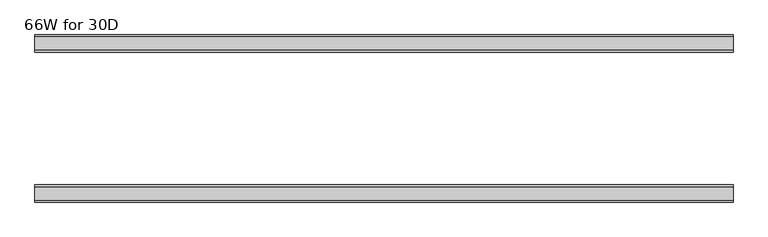
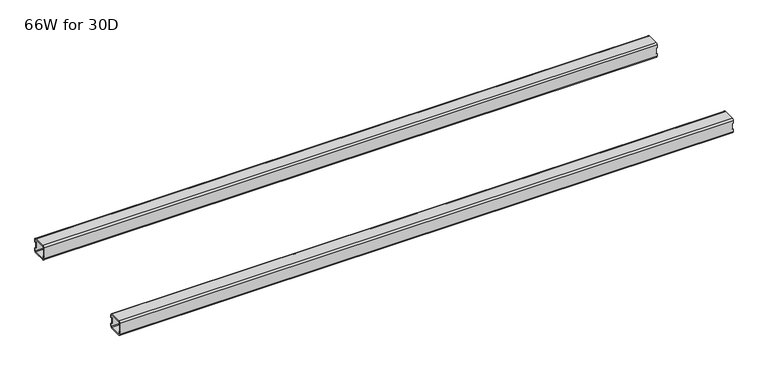
"""IFC4 building model written with IfcOpenShell, lengths in millimetres: furniture geometry, 66W for 30D."""

from ifc_helpers import new_model, si_unit, frame, origin, place, context, project, spatial, polyline, circle_curve, source, transform, mapped, element, save
from ifc_brep_helpers import plane_surface, cylinder_surface, revolved_surface, advanced_brep


def furniture_66w_for_30d_f4dce81f(model_context):
    return source(origin(), model_context, "Body", "AdvancedBrep", [
        advanced_brep(
        [(1651.4028, -507.012, 653.351), (1651.4028, -509.012, 651.351), (1651.4028, -541.012, 651.351), (1651.4028, -543.012, 653.351), (1651.4028, -543.012, 660.851), (1651.4028, -545.012, 660.851), (1651.4028, -545.012, 653.351), (1651.4028, -541.012, 649.351), (1651.4028, -509.012, 649.351), (1651.4028, -505.012, 653.351), (1651.4028, -505.012, 660.851), (1651.4028, -507.012, 660.851), (1651.4028, -543.012, 684.975), (1651.4028, -541.012, 686.975), (1651.4028, -509.012, 686.975), (1651.4028, -507.012, 684.975), (1651.4028, -507.012, 677.475), (1651.4028, -505.012, 677.475), (1651.4028, -505.012, 684.975), (1651.4028, -509.012, 688.975), (1651.4028, -541.012, 688.975), (1651.4028, -545.012, 684.975), (1651.4028, -545.012, 677.475), (1651.4028, -543.012, 677.475), (22.0, -507.012, 684.975), (22.0, -509.012, 686.975), (22.0, -541.012, 686.975), (22.0, -543.012, 684.975), (22.0, -543.012, 677.475), (22.0, -545.012, 677.475), (22.0, -545.012, 684.975), (22.0, -541.012, 688.975), (22.0, -509.012, 688.975), (22.0, -505.012, 684.975), (22.0, -505.012, 677.475), (22.0, -507.012, 677.475), (22.0, -543.012, 653.351), (22.0, -541.012, 651.351), (22.0, -509.012, 651.351), (22.0, -507.012, 653.351), (22.0, -507.012, 660.851), (22.0, -505.012, 660.851), (22.0, -505.012, 653.351), (22.0, -509.012, 649.351), (22.0, -541.012, 649.351), (22.0, -545.012, 653.351), (22.0, -545.012, 660.851), (22.0, -543.012, 660.851), (23.365, -543.012, 660.851), (24.0, -543.012, 661.486), (24.0, -543.012, 676.84), (23.365, -543.012, 677.475), (1650.0378, -543.012, 677.475), (1649.4028, -543.012, 676.84), (1649.4028, -543.012, 661.486), (1650.0378, -543.012, 660.851), (1650.0378, -507.012, 660.851), (1649.4028, -507.012, 661.486), (1649.4028, -507.012, 676.84), (1650.0378, -507.012, 677.475), (23.365, -507.012, 677.475), (24.0, -507.012, 676.84), (24.0, -507.012, 661.486), (23.365, -507.012, 660.851), (23.365, -545.012, 677.475), (24.0, -545.012, 676.84), (24.0, -545.012, 661.486), (23.365, -545.012, 660.851), (1650.0378, -545.012, 660.851), (1649.4028, -545.012, 661.486), (1649.4028, -545.012, 676.84), (1650.0378, -545.012, 677.475), (1650.0378, -505.012, 677.475), (1649.4028, -505.012, 676.84), (1649.4028, -505.012, 661.486), (1650.0378, -505.012, 660.851), (23.365, -505.012, 660.851), (24.0, -505.012, 661.486), (24.0, -505.012, 676.84), (23.365, -505.012, 677.475)],
        [
            (0, 1, circle_curve(frame((1651.4028, -509.012, 653.351), z_axis=(-1.0, 0.0, 0.0), x_axis=(0.0, 1.0, 0.0)), 2.0)),
            (1, 2),
            (2, 3, circle_curve(frame((1651.4028, -541.012, 653.351), z_axis=(-1.0, 0.0, 0.0), x_axis=(0.0, 1.0, 0.0)), 2.0)),
            (3, 4),
            (4, 5),
            (5, 6),
            (6, 7, circle_curve(frame((1651.4028, -541.012, 653.351), z_axis=(1.0, 0.0, 0.0), x_axis=(0.0, 1.0, 0.0)), 4.0)),
            (7, 8),
            (8, 9, circle_curve(frame((1651.4028, -509.012, 653.351), z_axis=(1.0, 0.0, 0.0), x_axis=(0.0, 1.0, 0.0)), 4.0)),
            (9, 10),
            (10, 11),
            (11, 0),
            (12, 13, circle_curve(frame((1651.4028, -541.012, 684.975), z_axis=(-1.0, 0.0, 0.0), x_axis=(0.0, 1.0, 0.0)), 2.0)),
            (13, 14),
            (14, 15, circle_curve(frame((1651.4028, -509.012, 684.975), z_axis=(-1.0, 0.0, 0.0), x_axis=(0.0, 1.0, 0.0)), 2.0)),
            (15, 16),
            (16, 17),
            (17, 18),
            (18, 19, circle_curve(frame((1651.4028, -509.012, 684.975), z_axis=(1.0, 0.0, 0.0), x_axis=(0.0, 1.0, 0.0)), 4.0)),
            (19, 20),
            (20, 21, circle_curve(frame((1651.4028, -541.012, 684.975), z_axis=(1.0, 0.0, 0.0), x_axis=(0.0, 1.0, 0.0)), 4.0)),
            (21, 22),
            (22, 23),
            (23, 12),
            (24, 25, circle_curve(frame((22.0, -509.012, 684.975), z_axis=(1.0, 0.0, 0.0), x_axis=(0.0, 1.0, 0.0)), 2.0)),
            (25, 26),
            (26, 27, circle_curve(frame((22.0, -541.012, 684.975), z_axis=(1.0, 0.0, 0.0), x_axis=(0.0, 1.0, 0.0)), 2.0)),
            (27, 28),
            (28, 29),
            (29, 30),
            (30, 31, circle_curve(frame((22.0, -541.012, 684.975), z_axis=(-1.0, 0.0, 0.0), x_axis=(0.0, 1.0, 0.0)), 4.0)),
            (31, 32),
            (32, 33, circle_curve(frame((22.0, -509.012, 684.975), z_axis=(-1.0, 0.0, 0.0), x_axis=(0.0, 1.0, 0.0)), 4.0)),
            (33, 34),
            (34, 35),
            (35, 24),
            (36, 37, circle_curve(frame((22.0, -541.012, 653.351), z_axis=(1.0, 0.0, 0.0), x_axis=(0.0, 1.0, 0.0)), 2.0)),
            (37, 38),
            (38, 39, circle_curve(frame((22.0, -509.012, 653.351), z_axis=(1.0, 0.0, 0.0), x_axis=(0.0, 1.0, 0.0)), 2.0)),
            (39, 40),
            (40, 41),
            (41, 42),
            (42, 43, circle_curve(frame((22.0, -509.012, 653.351), z_axis=(-1.0, 0.0, 0.0), x_axis=(0.0, 1.0, 0.0)), 4.0)),
            (43, 44),
            (44, 45, circle_curve(frame((22.0, -541.012, 653.351), z_axis=(-1.0, 0.0, 0.0), x_axis=(0.0, 1.0, 0.0)), 4.0)),
            (45, 46),
            (46, 47),
            (47, 36),
            (0, 39),
            (38, 1),
            (37, 2),
            (36, 3),
            (47, 48),
            (48, 49, circle_curve(frame((23.365, -543.012, 661.486), z_axis=(0.0, -1.0, 0.0), x_axis=(1.0, 0.0, 0.0)), 0.635)),
            (49, 50),
            (50, 51, circle_curve(frame((23.365, -543.012, 676.84), z_axis=(0.0, -1.0, 0.0), x_axis=(1.0, 0.0, 0.0)), 0.635)),
            (51, 28),
            (27, 12),
            (23, 52),
            (52, 53, circle_curve(frame((1650.0378, -543.012, 676.84), z_axis=(0.0, -1.0, 0.0), x_axis=(1.0, 0.0, 0.0)), 0.635)),
            (53, 54),
            (54, 55, circle_curve(frame((1650.0378, -543.012, 661.486), z_axis=(0.0, -1.0, 0.0), x_axis=(1.0, 0.0, 0.0)), 0.635)),
            (55, 4),
            (26, 13),
            (25, 14),
            (24, 15),
            (11, 56),
            (56, 57, circle_curve(frame((1650.0378, -507.012, 661.486), z_axis=(0.0, 1.0, 0.0), x_axis=(1.0, 0.0, 0.0)), 0.635)),
            (57, 58),
            (58, 59, circle_curve(frame((1650.0378, -507.012, 676.84), z_axis=(0.0, 1.0, 0.0), x_axis=(1.0, 0.0, 0.0)), 0.635)),
            (59, 16),
            (35, 60),
            (60, 61, circle_curve(frame((23.365, -507.012, 676.84), z_axis=(0.0, 1.0, 0.0), x_axis=(1.0, 0.0, 0.0)), 0.635)),
            (61, 62),
            (62, 63, circle_curve(frame((23.365, -507.012, 661.486), z_axis=(0.0, 1.0, 0.0), x_axis=(1.0, 0.0, 0.0)), 0.635)),
            (63, 40),
            (18, 33),
            (32, 19),
            (31, 20),
            (30, 21),
            (29, 64),
            (64, 65, circle_curve(frame((23.365, -545.012, 676.84), z_axis=(0.0, 1.0, 0.0), x_axis=(1.0, 0.0, 0.0)), 0.635)),
            (65, 66),
            (66, 67, circle_curve(frame((23.365, -545.012, 661.486), z_axis=(0.0, 1.0, 0.0), x_axis=(1.0, 0.0, 0.0)), 0.635)),
            (67, 46),
            (45, 6),
            (5, 68),
            (68, 69, circle_curve(frame((1650.0378, -545.012, 661.486), z_axis=(0.0, 1.0, 0.0), x_axis=(1.0, 0.0, 0.0)), 0.635)),
            (69, 70),
            (70, 71, circle_curve(frame((1650.0378, -545.012, 676.84), z_axis=(0.0, 1.0, 0.0), x_axis=(1.0, 0.0, 0.0)), 0.635)),
            (71, 22),
            (44, 7),
            (43, 8),
            (42, 9),
            (17, 72),
            (72, 73, circle_curve(frame((1650.0378, -505.012, 676.84), z_axis=(0.0, -1.0, 0.0), x_axis=(1.0, 0.0, 0.0)), 0.635)),
            (73, 74),
            (74, 75, circle_curve(frame((1650.0378, -505.012, 661.486), z_axis=(0.0, -1.0, 0.0), x_axis=(1.0, 0.0, 0.0)), 0.635)),
            (75, 10),
            (41, 76),
            (76, 77, circle_curve(frame((23.365, -505.012, 661.486), z_axis=(0.0, -1.0, 0.0), x_axis=(1.0, 0.0, 0.0)), 0.635)),
            (77, 78),
            (78, 79, circle_curve(frame((23.365, -505.012, 676.84), z_axis=(0.0, -1.0, 0.0), x_axis=(1.0, 0.0, 0.0)), 0.635)),
            (79, 34),
            (71, 52),
            (59, 72),
            (70, 53),
            (58, 73),
            (69, 54),
            (57, 74),
            (68, 55),
            (56, 75),
            (51, 64),
            (79, 60),
            (67, 48),
            (63, 76),
            (66, 49),
            (62, 77),
            (65, 50),
            (61, 78),
        ],
        [
            plane_surface(frame((1651.4028, -507.012, 653.351), z_axis=(1.0, 0.0, 0.0), x_axis=(0.0, 0.0, -1.0))),
            plane_surface(frame((22.0, -507.012, 653.351), z_axis=(-1.0, 0.0, 0.0), x_axis=(0.0, 0.0, 1.0))),
            revolved_surface(polyline([(22.0, -507.012, 653.351), (1651.4028, -507.012, 653.351)]), (22.0, -509.012, 653.351), (-1.0, 0.0, 0.0)),
            plane_surface(frame((1651.4028, -509.012, 651.351), z_axis=(0.0, -5.198608210600595e-12, 1.0), x_axis=(-1.0, 0.0, 0.0))),
            revolved_surface(polyline([(22.0, -539.012, 653.351), (1651.4028, -539.012, 653.351)]), (22.0, -541.012, 653.351), (-1.0, 0.0, 0.0)),
            plane_surface(frame((1651.4028, -543.012, 653.351), z_axis=(0.0, 1.0, 0.0), x_axis=(-1.0, 0.0, 0.0))),
            revolved_surface(polyline([(22.0, -539.012, 684.975), (1651.4028, -539.012, 684.975)]), (22.0, -541.012, 684.975), (-1.0, 0.0, 0.0)),
            plane_surface(frame((1651.4028, -541.012, 686.975), z_axis=(0.0, 0.0, -1.0), x_axis=(-1.0, 0.0, 0.0))),
            revolved_surface(polyline([(22.0, -507.012, 684.975), (1651.4028, -507.012, 684.975)]), (22.0, -509.012, 684.975), (-1.0, 0.0, 0.0)),
            plane_surface(frame((1651.4028, -507.012, 684.975), z_axis=(0.0, -1.0, 0.0), x_axis=(-1.0, 0.0, 0.0))),
            cylinder_surface(frame((0.0, -509.012, 684.975), z_axis=(1.0, 0.0, 0.0), x_axis=(0.0, 1.0, 0.0)), 4.0),
            plane_surface(frame((1651.4028, -509.012, 688.975), z_axis=(0.0, 0.0, 1.0), x_axis=(-1.0, 0.0, 0.0))),
            cylinder_surface(frame((0.0, -541.012, 684.975), z_axis=(1.0, 0.0, 0.0), x_axis=(0.0, 1.0, 0.0)), 4.0),
            plane_surface(frame((1651.4028, -545.012, 684.975), z_axis=(0.0, -1.0, 0.0), x_axis=(-1.0, 0.0, 0.0))),
            cylinder_surface(frame((0.0, -541.012, 653.351), z_axis=(1.0, 0.0, 0.0), x_axis=(0.0, 1.0, 0.0)), 4.0),
            plane_surface(frame((1651.4028, -541.012, 649.351), z_axis=(0.0, 0.0, -1.0), x_axis=(-1.0, 0.0, 0.0))),
            cylinder_surface(frame((0.0, -509.012, 653.351), z_axis=(1.0, 0.0, 0.0), x_axis=(0.0, 1.0, 0.0)), 4.0),
            plane_surface(frame((1651.4028, -505.012, 653.351), z_axis=(0.0, 1.0, -5.2518576384018155e-12), x_axis=(-1.0, 0.0, 0.0))),
            plane_surface(frame((1651.4028, -545.012, 677.475), z_axis=(1.130465684452016e-11, 0.0, -1.0), x_axis=(0.0, 1.0, 0.0))),
            revolved_surface(polyline([(1650.6728, -545.012, 676.84), (1650.6728, -543.012, 676.84)]), (1650.0378, -505.012, 676.84), (0.0, -1.0, 0.0)),
            revolved_surface(polyline([(1650.6728, -507.012, 676.84), (1650.6728, -505.012, 676.84)]), (1650.0378, -505.012, 676.84), (0.0, -1.0, 0.0)),
            plane_surface(frame((1649.4028, -545.012, 676.84), z_axis=(1.0, 0.0, 0.0), x_axis=(0.0, 1.0, 0.0))),
            revolved_surface(polyline([(1650.6728, -545.012, 661.486), (1650.6728, -543.012, 661.486)]), (1650.0378, -505.012, 661.486), (0.0, -1.0, 0.0)),
            revolved_surface(polyline([(1650.6728, -507.012, 661.486), (1650.6728, -505.012, 661.486)]), (1650.0378, -505.012, 661.486), (0.0, -1.0, 0.0)),
            plane_surface(frame((1650.0378, -545.012, 660.851), z_axis=(0.0, 0.0, 1.0), x_axis=(0.0, 1.0, 0.0))),
            plane_surface(frame((23.365, -545.012, 677.475), z_axis=(0.0, 0.0, -1.0), x_axis=(0.0, 1.0, 0.0))),
            plane_surface(frame((22.0, -545.012, 660.851), z_axis=(-1.1502984157403295e-11, 0.0, 1.0), x_axis=(0.0, 1.0, 0.0))),
            revolved_surface(polyline([(24.0, -545.012, 661.486), (24.0, -543.012, 661.486)]), (23.365, -505.012, 661.486), (0.0, -1.0, 0.0)),
            revolved_surface(polyline([(24.0, -507.012, 661.486), (24.0, -505.012, 661.486)]), (23.365, -505.012, 661.486), (0.0, -1.0, 0.0)),
            plane_surface(frame((24.0, -545.012, 661.486), z_axis=(-1.0, 0.0, 0.0), x_axis=(0.0, 1.0, 0.0))),
            revolved_surface(polyline([(24.0, -545.012, 676.84), (24.0, -543.012, 676.84)]), (23.365, -505.012, 676.84), (0.0, -1.0, 0.0)),
            revolved_surface(polyline([(24.0, -507.012, 676.84), (24.0, -505.012, 676.84)]), (23.365, -505.012, 676.84), (0.0, -1.0, 0.0)),
        ],
        [
            (0, [[1, 2, 3, 4, 5, 6, 7, 8, 9, 10, 11, 12]]),
            (0, [[13, 14, 15, 16, 17, 18, 19, 20, 21, 22, 23, 24]]),
            (1, [[25, 26, 27, 28, 29, 30, 31, 32, 33, 34, 35, 36]]),
            (1, [[37, 38, 39, 40, 41, 42, 43, 44, 45, 46, 47, 48]]),
            (2, [[-1, 49, -39, 50]]),
            (3, [[-2, -50, -38, 51]]),
            (4, [[-3, -51, -37, 52]]),
            (5, [[-52, -48, 53, 54, 55, 56, 57, -28, 58, -24, 59, 60, 61, 62, 63, -4]]),
            (6, [[-13, -58, -27, 64]]),
            (7, [[-14, -64, -26, 65]]),
            (8, [[-15, -65, -25, 66]]),
            (9, [[-49, -12, 67, 68, 69, 70, 71, -16, -66, -36, 72, 73, 74, 75, 76, -40]]),
            (10, [[-19, 77, -33, 78]]),
            (11, [[-20, -78, -32, 79]]),
            (12, [[-21, -79, -31, 80]]),
            (13, [[-80, -30, 81, 82, 83, 84, 85, -46, 86, -6, 87, 88, 89, 90, 91, -22]]),
            (14, [[-7, -86, -45, 92]]),
            (15, [[-8, -92, -44, 93]]),
            (16, [[-9, -93, -43, 94]]),
            (17, [[-77, -18, 95, 96, 97, 98, 99, -10, -94, -42, 100, 101, 102, 103, 104, -34]]),
            (18, [[105, -59, -23, -91]]),
            (18, [[106, -95, -17, -71]]),
            (19, [[-105, -90, 107, -60]]),
            (20, [[-106, -70, 108, -96]]),
            (21, [[-107, -89, 109, -61]]),
            (21, [[-108, -69, 110, -97]]),
            (22, [[-109, -88, 111, -62]]),
            (23, [[-110, -68, 112, -98]]),
            (24, [[-111, -87, -5, -63]]),
            (24, [[-112, -67, -11, -99]]),
            (25, [[113, -81, -29, -57]]),
            (25, [[114, -72, -35, -104]]),
            (26, [[115, -53, -47, -85]]),
            (26, [[116, -100, -41, -76]]),
            (27, [[-115, -84, 117, -54]]),
            (28, [[-116, -75, 118, -101]]),
            (29, [[-117, -83, 119, -55]]),
            (29, [[-118, -74, 120, -102]]),
            (30, [[-113, -56, -119, -82]]),
            (31, [[-114, -103, -120, -73]]),
        ],
    ),
        advanced_brep(
        [(1651.4028, -192.9996202, 684.975), (1651.4028, -190.9996202, 686.975), (1651.4028, -159.0003798, 686.975), (1651.4028, -157.0003798, 684.975), (1651.4028, -157.0003798, 677.475), (1651.4028, -155.0003798, 677.475), (1651.4028, -155.0003798, 684.975), (1651.4028, -159.0003798, 688.975), (1651.4028, -190.9996202, 688.975), (1651.4028, -194.9996202, 684.975), (1651.4028, -194.9996202, 677.475), (1651.4028, -192.9996202, 677.475), (1651.4028, -157.0003798, 653.351), (1651.4028, -159.0003798, 651.351), (1651.4028, -190.9996202, 651.351), (1651.4028, -192.9996202, 653.351), (1651.4028, -192.9996202, 660.851), (1651.4028, -194.9996202, 660.851), (1651.4028, -194.9996202, 653.351), (1651.4028, -190.9996202, 649.351), (1651.4028, -159.0003798, 649.351), (1651.4028, -155.0003798, 653.351), (1651.4028, -155.0003798, 660.851), (1651.4028, -157.0003798, 660.851), (22.0, -192.9996202, 653.351), (22.0, -190.9996202, 651.351), (22.0, -159.0003798, 651.351), (22.0, -157.0003798, 653.351), (22.0, -157.0003798, 660.851), (22.0, -155.0003798, 660.851), (22.0, -155.0003798, 653.351), (22.0, -159.0003798, 649.351), (22.0, -190.9996202, 649.351), (22.0, -194.9996202, 653.351), (22.0, -194.9996202, 660.851), (22.0, -192.9996202, 660.851), (22.0, -157.0003798, 684.975), (22.0, -159.0003798, 686.975), (22.0, -190.9996202, 686.975), (22.0, -192.9996202, 684.975), (22.0, -192.9996202, 677.475), (22.0, -194.9996202, 677.475), (22.0, -194.9996202, 684.975), (22.0, -190.9996202, 688.975), (22.0, -159.0003798, 688.975), (22.0, -155.0003798, 684.975), (22.0, -155.0003798, 677.475), (22.0, -157.0003798, 677.475), (1650.0378, -157.0003798, 660.851), (1649.4028, -157.0003798, 661.486), (1649.4028, -157.0003798, 676.84), (1650.0378, -157.0003798, 677.475), (23.365, -157.0003798, 677.475), (24.0, -157.0003798, 676.84), (24.0, -157.0003798, 661.486), (23.365, -157.0003798, 660.851), (23.365, -192.9996202, 660.851), (24.0, -192.9996202, 661.486), (24.0, -192.9996202, 676.84), (23.365, -192.9996202, 677.475), (1650.0378, -192.9996202, 677.475), (1649.4028, -192.9996202, 676.84), (1649.4028, -192.9996202, 661.486), (1650.0378, -192.9996202, 660.851), (1650.0378, -155.0003798, 677.475), (1649.4028, -155.0003798, 676.84), (1649.4028, -155.0003798, 661.486), (1650.0378, -155.0003798, 660.851), (23.365, -155.0003798, 660.851), (24.0, -155.0003798, 661.486), (24.0, -155.0003798, 676.84), (23.365, -155.0003798, 677.475), (23.365, -194.9996202, 677.475), (24.0, -194.9996202, 676.84), (24.0, -194.9996202, 661.486), (23.365, -194.9996202, 660.851), (1650.0378, -194.9996202, 660.851), (1649.4028, -194.9996202, 661.486), (1649.4028, -194.9996202, 676.84), (1650.0378, -194.9996202, 677.475)],
        [
            (0, 1, circle_curve(frame((1651.4028, -190.9996202, 684.975), z_axis=(-1.0, 0.0, 0.0), x_axis=(0.0, -1.0, 0.0)), 2.0)),
            (1, 2),
            (2, 3, circle_curve(frame((1651.4028, -159.0003798, 684.975), z_axis=(-1.0, 0.0, 0.0), x_axis=(0.0, -1.0, 0.0)), 2.0)),
            (3, 4),
            (4, 5),
            (5, 6),
            (6, 7, circle_curve(frame((1651.4028, -159.0003798, 684.975), z_axis=(1.0, 0.0, 0.0), x_axis=(0.0, -1.0, 0.0)), 4.0)),
            (7, 8),
            (8, 9, circle_curve(frame((1651.4028, -190.9996202, 684.975), z_axis=(1.0, 0.0, 0.0), x_axis=(0.0, -1.0, 0.0)), 4.0)),
            (9, 10),
            (10, 11),
            (11, 0),
            (12, 13, circle_curve(frame((1651.4028, -159.0003798, 653.351), z_axis=(-1.0, 0.0, 0.0), x_axis=(0.0, -1.0, 0.0)), 2.0)),
            (13, 14),
            (14, 15, circle_curve(frame((1651.4028, -190.9996202, 653.351), z_axis=(-1.0, 0.0, 0.0), x_axis=(0.0, -1.0, 0.0)), 2.0)),
            (15, 16),
            (16, 17),
            (17, 18),
            (18, 19, circle_curve(frame((1651.4028, -190.9996202, 653.351), z_axis=(1.0, 0.0, 0.0), x_axis=(0.0, -1.0, 0.0)), 4.0)),
            (19, 20),
            (20, 21, circle_curve(frame((1651.4028, -159.0003798, 653.351), z_axis=(1.0, 0.0, 0.0), x_axis=(0.0, -1.0, 0.0)), 4.0)),
            (21, 22),
            (22, 23),
            (23, 12),
            (24, 25, circle_curve(frame((22.0, -190.9996202, 653.351), z_axis=(1.0, 0.0, 0.0), x_axis=(0.0, -1.0, 0.0)), 2.0)),
            (25, 26),
            (26, 27, circle_curve(frame((22.0, -159.0003798, 653.351), z_axis=(1.0, 0.0, 0.0), x_axis=(0.0, -1.0, 0.0)), 2.0)),
            (27, 28),
            (28, 29),
            (29, 30),
            (30, 31, circle_curve(frame((22.0, -159.0003798, 653.351), z_axis=(-1.0, 0.0, 0.0), x_axis=(0.0, -1.0, 0.0)), 4.0)),
            (31, 32),
            (32, 33, circle_curve(frame((22.0, -190.9996202, 653.351), z_axis=(-1.0, 0.0, 0.0), x_axis=(0.0, -1.0, 0.0)), 4.0)),
            (33, 34),
            (34, 35),
            (35, 24),
            (36, 37, circle_curve(frame((22.0, -159.0003798, 684.975), z_axis=(1.0, 0.0, 0.0), x_axis=(0.0, -1.0, 0.0)), 2.0)),
            (37, 38),
            (38, 39, circle_curve(frame((22.0, -190.9996202, 684.975), z_axis=(1.0, 0.0, 0.0), x_axis=(0.0, -1.0, 0.0)), 2.0)),
            (39, 40),
            (40, 41),
            (41, 42),
            (42, 43, circle_curve(frame((22.0, -190.9996202, 684.975), z_axis=(-1.0, 0.0, 0.0), x_axis=(0.0, -1.0, 0.0)), 4.0)),
            (43, 44),
            (44, 45, circle_curve(frame((22.0, -159.0003798, 684.975), z_axis=(-1.0, 0.0, 0.0), x_axis=(0.0, -1.0, 0.0)), 4.0)),
            (45, 46),
            (46, 47),
            (47, 36),
            (14, 25),
            (24, 15),
            (13, 26),
            (12, 27),
            (23, 48),
            (48, 49, circle_curve(frame((1650.0378, -157.0003798, 661.486), z_axis=(0.0, 1.0, 0.0), x_axis=(1.0, 0.0, 0.0)), 0.635)),
            (49, 50),
            (50, 51, circle_curve(frame((1650.0378, -157.0003798, 676.84), z_axis=(0.0, 1.0, 0.0), x_axis=(1.0, 0.0, 0.0)), 0.635)),
            (51, 4),
            (3, 36),
            (47, 52),
            (52, 53, circle_curve(frame((23.365, -157.0003798, 676.84), z_axis=(0.0, 1.0, 0.0), x_axis=(1.0, 0.0, 0.0)), 0.635)),
            (53, 54),
            (54, 55, circle_curve(frame((23.365, -157.0003798, 661.486), z_axis=(0.0, 1.0, 0.0), x_axis=(1.0, 0.0, 0.0)), 0.635)),
            (55, 28),
            (2, 37),
            (1, 38),
            (0, 39),
            (35, 56),
            (56, 57, circle_curve(frame((23.365, -192.9996202, 661.486), z_axis=(0.0, -1.0, 0.0), x_axis=(1.0, 0.0, 0.0)), 0.635)),
            (57, 58),
            (58, 59, circle_curve(frame((23.365, -192.9996202, 676.84), z_axis=(0.0, -1.0, 0.0), x_axis=(1.0, 0.0, 0.0)), 0.635)),
            (59, 40),
            (11, 60),
            (60, 61, circle_curve(frame((1650.0378, -192.9996202, 676.84), z_axis=(0.0, -1.0, 0.0), x_axis=(1.0, 0.0, 0.0)), 0.635)),
            (61, 62),
            (62, 63, circle_curve(frame((1650.0378, -192.9996202, 661.486), z_axis=(0.0, -1.0, 0.0), x_axis=(1.0, 0.0, 0.0)), 0.635)),
            (63, 16),
            (8, 43),
            (42, 9),
            (7, 44),
            (6, 45),
            (5, 64),
            (64, 65, circle_curve(frame((1650.0378, -155.0003798, 676.84), z_axis=(0.0, -1.0, 0.0), x_axis=(1.0, 0.0, 0.0)), 0.635)),
            (65, 66),
            (66, 67, circle_curve(frame((1650.0378, -155.0003798, 661.486), z_axis=(0.0, -1.0, 0.0), x_axis=(1.0, 0.0, 0.0)), 0.635)),
            (67, 22),
            (21, 30),
            (29, 68),
            (68, 69, circle_curve(frame((23.365, -155.0003798, 661.486), z_axis=(0.0, -1.0, 0.0), x_axis=(1.0, 0.0, 0.0)), 0.635)),
            (69, 70),
            (70, 71, circle_curve(frame((23.365, -155.0003798, 676.84), z_axis=(0.0, -1.0, 0.0), x_axis=(1.0, 0.0, 0.0)), 0.635)),
            (71, 46),
            (20, 31),
            (19, 32),
            (18, 33),
            (41, 72),
            (72, 73, circle_curve(frame((23.365, -194.9996202, 676.84), z_axis=(0.0, 1.0, 0.0), x_axis=(1.0, 0.0, 0.0)), 0.635)),
            (73, 74),
            (74, 75, circle_curve(frame((23.365, -194.9996202, 661.486), z_axis=(0.0, 1.0, 0.0), x_axis=(1.0, 0.0, 0.0)), 0.635)),
            (75, 34),
            (17, 76),
            (76, 77, circle_curve(frame((1650.0378, -194.9996202, 661.486), z_axis=(0.0, 1.0, 0.0), x_axis=(1.0, 0.0, 0.0)), 0.635)),
            (77, 78),
            (78, 79, circle_curve(frame((1650.0378, -194.9996202, 676.84), z_axis=(0.0, 1.0, 0.0), x_axis=(1.0, 0.0, 0.0)), 0.635)),
            (79, 10),
            (51, 64),
            (79, 60),
            (50, 65),
            (78, 61),
            (49, 66),
            (77, 62),
            (48, 67),
            (76, 63),
            (71, 52),
            (59, 72),
            (55, 68),
            (75, 56),
            (54, 69),
            (74, 57),
            (53, 70),
            (73, 58),
        ],
        [
            plane_surface(frame((1651.4028, -192.9996202, 684.975), z_axis=(1.0, 0.0, 0.0), x_axis=(0.0, 0.0, 1.0))),
            plane_surface(frame((22.0, -192.9996202, 684.975), z_axis=(-1.0, 0.0, 0.0), x_axis=(0.0, 0.0, -1.0))),
            revolved_surface(polyline([(22.0, -192.9996202, 653.351), (1651.4028, -192.9996202, 653.351)]), (22.0, -190.9996202, 653.351), (-1.0, 0.0, 0.0)),
            plane_surface(frame((1651.4028, -159.0003798, 651.351), z_axis=(0.0, 0.0, 1.0), x_axis=(-1.0, 0.0, 0.0))),
            revolved_surface(polyline([(22.0, -161.0003798, 653.351), (1651.4028, -161.0003798, 653.351)]), (22.0, -159.0003798, 653.351), (-1.0, 0.0, 0.0)),
            plane_surface(frame((1651.4028, -157.0003798, 684.975), z_axis=(0.0, -1.0, 0.0), x_axis=(-1.0, 0.0, 0.0))),
            revolved_surface(polyline([(22.0, -161.0003798, 684.975), (1651.4028, -161.0003798, 684.975)]), (22.0, -159.0003798, 684.975), (-1.0, 0.0, 0.0)),
            plane_surface(frame((1651.4028, -190.9996202, 686.975), z_axis=(0.0, 0.0, -1.0), x_axis=(-1.0, 0.0, 0.0))),
            revolved_surface(polyline([(22.0, -192.9996202, 684.975), (1651.4028, -192.9996202, 684.975)]), (22.0, -190.9996202, 684.975), (-1.0, 0.0, 0.0)),
            plane_surface(frame((1651.4028, -192.9996202, 653.351), z_axis=(0.0, 1.0, 0.0), x_axis=(-1.0, 0.0, 0.0))),
            cylinder_surface(frame((0.0, -190.9996202, 684.975), z_axis=(1.0, 0.0, 0.0), x_axis=(0.0, -1.0, 0.0)), 4.0),
            plane_surface(frame((1651.4028, -159.0003798, 688.975), z_axis=(0.0, 0.0, 1.0), x_axis=(-1.0, 0.0, 0.0))),
            cylinder_surface(frame((0.0, -159.0003798, 684.975), z_axis=(1.0, 0.0, 0.0), x_axis=(0.0, -1.0, 0.0)), 4.0),
            plane_surface(frame((1651.4028, -155.0003798, 653.351), z_axis=(0.0, 1.0, 0.0), x_axis=(-1.0, 0.0, 0.0))),
            cylinder_surface(frame((0.0, -159.0003798, 653.351), z_axis=(1.0, 0.0, 0.0), x_axis=(0.0, -1.0, 0.0)), 4.0),
            plane_surface(frame((1651.4028, -190.9996202, 649.351), z_axis=(0.0, 0.0, -1.0), x_axis=(-1.0, 0.0, 0.0))),
            cylinder_surface(frame((0.0, -190.9996202, 653.351), z_axis=(1.0, 0.0, 0.0), x_axis=(0.0, -1.0, 0.0)), 4.0),
            plane_surface(frame((1651.4028, -194.9996202, 684.975), z_axis=(0.0, -1.0, 0.0), x_axis=(-1.0, 0.0, 0.0))),
            plane_surface(frame((1650.0378, -155.0003798, 677.475), z_axis=(-8.468576266924131e-11, 0.0, -1.0), x_axis=(0.0, -1.0, 0.0))),
            revolved_surface(polyline([(1650.6728, -155.0003798, 676.84), (1650.6728, -157.0003798, 676.84)]), (1650.0378, -194.9996202, 676.84), (0.0, 1.0, 0.0)),
            revolved_surface(polyline([(1650.6728, -192.9996202, 676.84), (1650.6728, -194.9996202, 676.84)]), (1650.0378, -194.9996202, 676.84), (0.0, 1.0, 0.0)),
            plane_surface(frame((1649.4028, -155.0003798, 661.486), z_axis=(1.0, 0.0, 6.100560549954068e-12), x_axis=(0.0, -1.0, 0.0))),
            revolved_surface(polyline([(1650.6728, -155.0003798, 661.486), (1650.6728, -157.0003798, 661.486)]), (1650.0378, -194.9996202, 661.486), (0.0, 1.0, 0.0)),
            revolved_surface(polyline([(1650.6728, -192.9996202, 661.486), (1650.6728, -194.9996202, 661.486)]), (1650.0378, -194.9996202, 661.486), (0.0, 1.0, 0.0)),
            plane_surface(frame((1651.4028, -155.0003798, 660.851), z_axis=(0.0, 0.0, 1.0), x_axis=(0.0, -1.0, 0.0))),
            plane_surface(frame((22.0, -155.0003798, 677.475), z_axis=(0.0, 0.0, -1.0), x_axis=(0.0, -1.0, 0.0))),
            plane_surface(frame((23.365, -155.0003798, 660.851), z_axis=(-2.8559133082148777e-11, 0.0, 1.0), x_axis=(0.0, -1.0, 0.0))),
            revolved_surface(polyline([(24.0, -155.0003798, 661.486), (24.0, -157.0003798, 661.486)]), (23.365, -194.9996202, 661.486), (0.0, 1.0, 0.0)),
            revolved_surface(polyline([(24.0, -192.9996202, 661.486), (24.0, -194.9996202, 661.486)]), (23.365, -194.9996202, 661.486), (0.0, 1.0, 0.0)),
            plane_surface(frame((24.0, -155.0003798, 676.84), z_axis=(-1.0, 0.0, 3.414484621396347e-12), x_axis=(0.0, -1.0, 0.0))),
            revolved_surface(polyline([(24.0, -155.0003798, 676.84), (24.0, -157.0003798, 676.84)]), (23.365, -194.9996202, 676.84), (0.0, 1.0, 0.0)),
            revolved_surface(polyline([(24.0, -192.9996202, 676.84), (24.0, -194.9996202, 676.84)]), (23.365, -194.9996202, 676.84), (0.0, 1.0, 0.0)),
        ],
        [
            (0, [[1, 2, 3, 4, 5, 6, 7, 8, 9, 10, 11, 12]]),
            (0, [[13, 14, 15, 16, 17, 18, 19, 20, 21, 22, 23, 24]]),
            (1, [[25, 26, 27, 28, 29, 30, 31, 32, 33, 34, 35, 36]]),
            (1, [[37, 38, 39, 40, 41, 42, 43, 44, 45, 46, 47, 48]]),
            (2, [[-15, 49, -25, 50]]),
            (3, [[-14, 51, -26, -49]]),
            (4, [[-13, 52, -27, -51]]),
            (5, [[-52, -24, 53, 54, 55, 56, 57, -4, 58, -48, 59, 60, 61, 62, 63, -28]]),
            (6, [[-3, 64, -37, -58]]),
            (7, [[-2, 65, -38, -64]]),
            (8, [[-1, 66, -39, -65]]),
            (9, [[-50, -36, 67, 68, 69, 70, 71, -40, -66, -12, 72, 73, 74, 75, 76, -16]]),
            (10, [[-9, 77, -43, 78]]),
            (11, [[-8, 79, -44, -77]]),
            (12, [[-7, 80, -45, -79]]),
            (13, [[-80, -6, 81, 82, 83, 84, 85, -22, 86, -30, 87, 88, 89, 90, 91, -46]]),
            (14, [[-21, 92, -31, -86]]),
            (15, [[-20, 93, -32, -92]]),
            (16, [[-19, 94, -33, -93]]),
            (17, [[-78, -42, 95, 96, 97, 98, 99, -34, -94, -18, 100, 101, 102, 103, 104, -10]]),
            (18, [[105, -81, -5, -57]]),
            (18, [[106, -72, -11, -104]]),
            (19, [[-105, -56, 107, -82]]),
            (20, [[-106, -103, 108, -73]]),
            (21, [[-107, -55, 109, -83]]),
            (21, [[-108, -102, 110, -74]]),
            (22, [[-109, -54, 111, -84]]),
            (23, [[-110, -101, 112, -75]]),
            (24, [[-111, -53, -23, -85]]),
            (24, [[-112, -100, -17, -76]]),
            (25, [[113, -59, -47, -91]]),
            (25, [[114, -95, -41, -71]]),
            (26, [[115, -87, -29, -63]]),
            (26, [[116, -67, -35, -99]]),
            (27, [[-115, -62, 117, -88]]),
            (28, [[-116, -98, 118, -68]]),
            (29, [[-117, -61, 119, -89]]),
            (29, [[-118, -97, 120, -69]]),
            (30, [[-119, -60, -113, -90]]),
            (31, [[-120, -96, -114, -70]]),
        ],
    ),
    ])


if __name__ == "__main__":
    model = new_model("IFC4")
    model_context = context("Model", 3, world=origin())
    ifc_project = project(units=[si_unit("LENGTHUNIT", "METRE", prefix="MILLI")], contexts=[model_context])
    site = spatial("IfcSite", under=ifc_project)
    building = spatial("IfcBuilding", under=site)
    placement = place(None, origin())
    furniture_66w_for_30d_shape = furniture_66w_for_30d_f4dce81f(model_context)
    element("IfcFurniture", 1, ObjectType="66W for 30D", at=placement, inside=building, context=model_context, shape_type="MappedRepresentation", body=[
        mapped(furniture_66w_for_30d_shape, transform((0.0, 0.0, 0.0), x_axis=(1.0, 0.0, 0.0), y_axis=(0.0, 1.0, 0.0), z_axis=(0.0, 0.0, 1.0))),
    ])
    save(model, "model.ifc")
